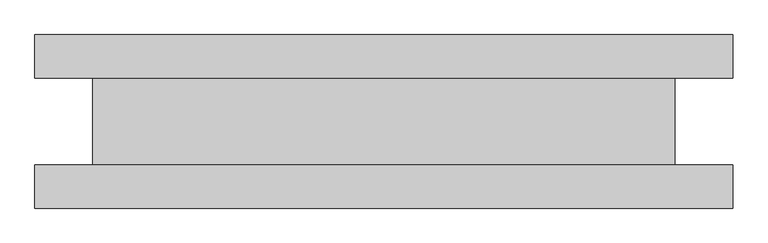
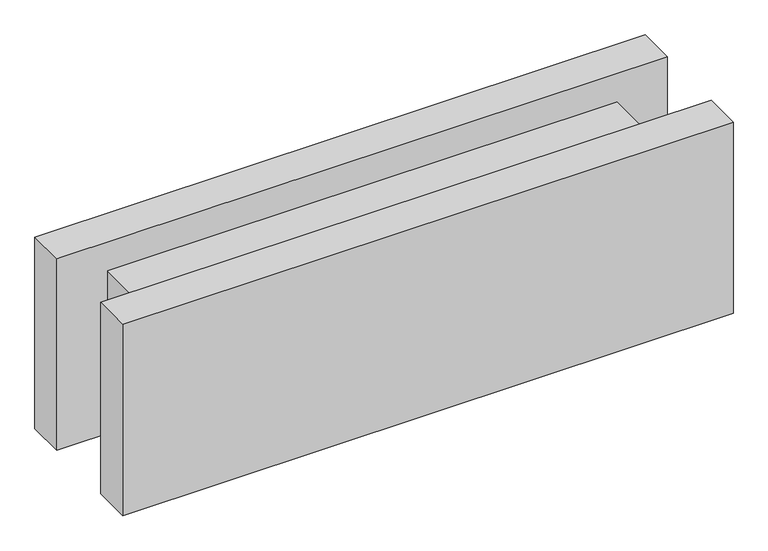
"""IFC4 building model written with IfcOpenShell, lengths in millimetres: plate geometry."""

from ifc_helpers import new_model, si_unit, frame, origin, origin_with_axes, place, context, project, spatial, polyline, outline, extrude, source, transform, mapped, element, save


def plate_bfc9a102(model_context):
    return source(origin(), model_context, "Body", "SweptSolid", [
        extrude(outline(polyline([(603.125, -150.0), (-603.125, -150.0), (-603.125, -75.0), (603.125, -75.0), (603.125, -150.0)])), origin_with_axes(), (0.0, 0.0, 1.0), 400.0),
        extrude(outline(polyline([(603.125, 75.0), (-603.125, 75.0), (-603.125, 150.0), (603.125, 150.0), (603.125, 75.0)])), origin_with_axes(), (0.0, 0.0, 1.0), 400.0),
        extrude(outline(polyline([(503.125, -75.0), (-503.125, -75.0), (-503.125, 75.0), (503.125, 75.0), (503.125, -75.0)])), frame((0.0, 0.0, 59.45), z_axis=(0.0, 0.0, 1.0), x_axis=(1.0, 0.0, 0.0)), (0.0, 0.0, 1.0), 281.1),
    ])


if __name__ == "__main__":
    model = new_model("IFC4")
    model_context = context("Model", 3, world=origin())
    ifc_project = project(units=[si_unit("LENGTHUNIT", "METRE", prefix="MILLI")], contexts=[model_context])
    site = spatial("IfcSite", under=ifc_project)
    building = spatial("IfcBuilding", under=site)
    placement = place(None, origin())
    plate_shape = plate_bfc9a102(model_context)
    element("IfcPlate", 1, at=placement, inside=building, context=model_context, shape_type="MappedRepresentation", body=[
        mapped(plate_shape, transform((0.0, 0.0, 0.0), x_axis=(1.0, 0.0, 0.0), y_axis=(0.0, 1.0, 0.0), z_axis=(0.0, 0.0, 1.0))),
    ])
    save(model, "model.ifc")
